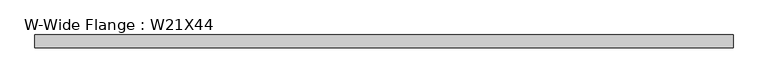
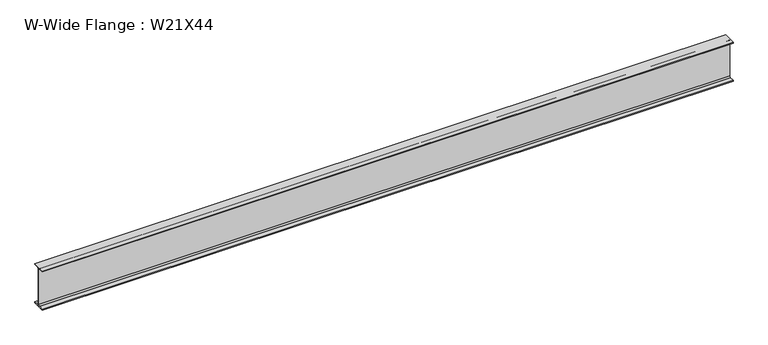
"""IFC4 building model written with IfcOpenShell, lengths in millimetres: beam geometry, W-Wide Flange : W21X44."""

from ifc_helpers import new_model, si_unit, point, frame, frame_2d, origin, place, context, project, spatial, polyline, circle_curve, trimmed, segment, composite_curve, outline, extrude, source, transform, mapped, element, save


def w_wide_flange_w21x44_ac19a9b3(model_context):
    return source(origin(), model_context, "Body", "SweptSolid", [
        extrude(outline(composite_curve([segment(polyline([(82.55, -251.4699219), (82.55, -262.8800781), (-82.55, -262.8800781), (-82.55, -251.4699219), (-21.6296875, -251.4699219)]), True, "CONTINUOUS"), segment(trimmed(circle_curve(frame_2d((-21.6296875, -234.3050781)), 17.1648437), [point((-21.6296875, -251.4699219))], [point((-4.4648438, -234.3050781))], True, "CARTESIAN"), True, "CONTINUOUS"), segment(polyline([(-4.4648438, -234.3050781), (-4.4648438, 234.3050781)]), True, "CONTINUOUS"), segment(trimmed(circle_curve(frame_2d((-21.6296875, 234.3050781)), 17.1648437), [point((-4.4648438, 234.3050781))], [point((-21.6296875, 251.4699219))], True, "CARTESIAN"), True, "CONTINUOUS"), segment(polyline([(-21.6296875, 251.4699219), (-82.55, 251.4699219), (-82.55, 262.8800781), (82.55, 262.8800781), (82.55, 251.4699219), (21.6296875, 251.4699219)]), True, "CONTINUOUS"), segment(trimmed(circle_curve(frame_2d((21.6296875, 234.3050781)), 17.1648437), [point((21.6296875, 251.4699219))], [point((4.4648437, 234.3050781))], True, "CARTESIAN"), True, "CONTINUOUS"), segment(polyline([(4.4648437, 234.3050781), (4.4648437, -234.3050781)]), True, "CONTINUOUS"), segment(trimmed(circle_curve(frame_2d((21.6296875, -234.3050781)), 17.1648437), [point((4.4648437, -234.3050781))], [point((21.6296875, -251.4699219))], True, "CARTESIAN"), True, "CONTINUOUS"), segment(polyline([(21.6296875, -251.4699219), (82.55, -251.4699219)]), True, "CONTINUOUS")], self_intersect=False)), frame((-4407.6441406, 0.0, 0.0), z_axis=(1.0, 0.0, 0.0), x_axis=(0.0, 1.0, 0.0)), (0.0, 0.0, 1.0), 8815.2882813),
    ])


if __name__ == "__main__":
    model = new_model("IFC4")
    model_context = context("Model", 3, world=origin())
    ifc_project = project(units=[si_unit("LENGTHUNIT", "METRE", prefix="MILLI")], contexts=[model_context])
    site = spatial("IfcSite", under=ifc_project)
    building = spatial("IfcBuilding", under=site)
    placement = place(None, origin())
    w_wide_flange_w21x44_shape = w_wide_flange_w21x44_ac19a9b3(model_context)
    element("IfcBeam", 1, ObjectType="W-Wide Flange : W21X44", at=placement, inside=building, context=model_context, shape_type="MappedRepresentation", body=[
        mapped(w_wide_flange_w21x44_shape, transform((0.0, 0.0, 0.0), x_axis=(1.0, 0.0, 0.0), y_axis=(0.0, 1.0, 0.0), z_axis=(0.0, 0.0, 1.0))),
    ])
    save(model, "model.ifc")
